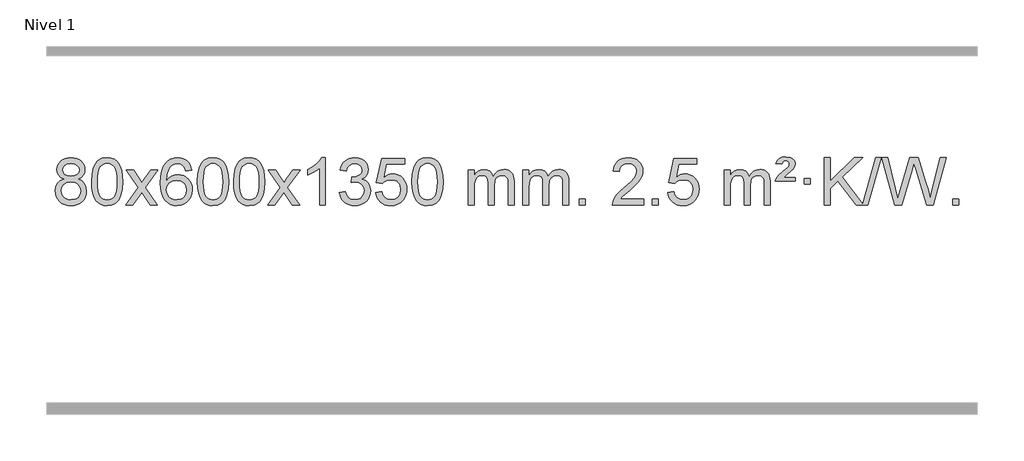
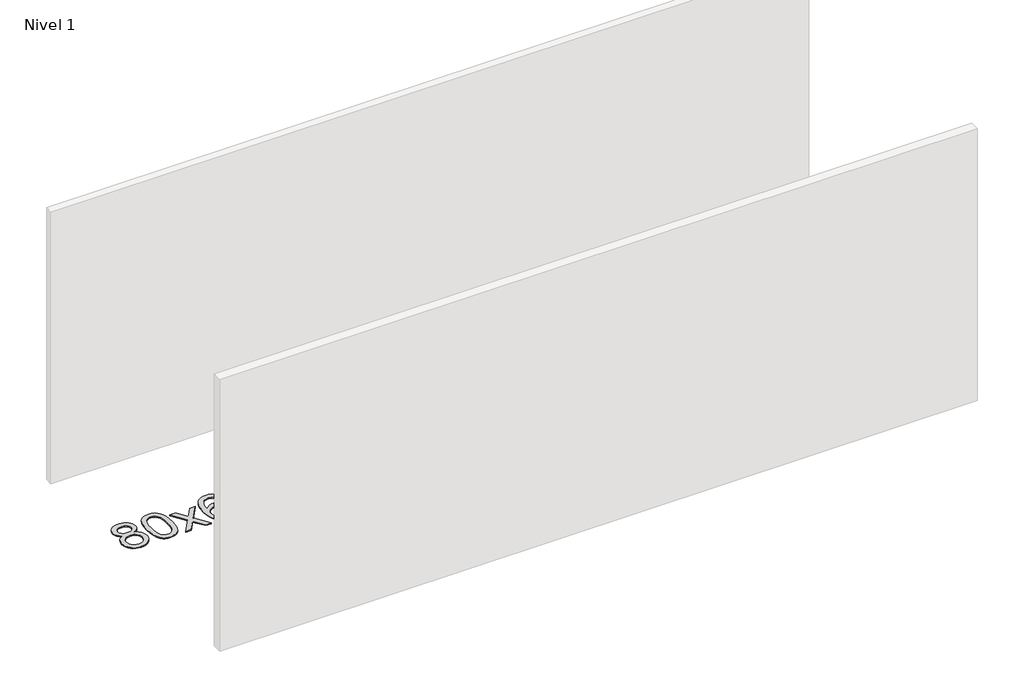
# One storey, part 6 of 10: 1 proxy.
"""IFC4 building model written with IfcOpenShell, lengths in millimetres."""

from ifc_helpers import new_model, si_unit, origin, origin_with_axes, place, context, project, spatial, polyline, outline, extrude, element, save

model = new_model("IFC4")

# Units and contexts
model_context = context("Model", 3, world=origin())
ifc_project = project(units=[si_unit("LENGTHUNIT", "METRE", prefix="MILLI")], contexts=[model_context])

# Site, building, storey
site = spatial("IfcSite", under=ifc_project)
building = spatial("IfcBuilding", under=site)
storey = spatial("IfcBuildingStorey", under=building, Name="Nivel 1", Elevation=0.0)

# Proxy
placement = place(None, origin())
element("IfcBuildingElementProxy", 1, Name="Texto de modelo 1", ObjectType="Texto de modelo 1", at=placement, inside=storey, context=model_context, shape_type="SweptSolid", body=[
    extrude(outline(polyline([(-82.9857189, -6174.2616447), (-109.8778927, -6161.0178929), (-128.7502391, -6143.0652515), (-139.8970635, -6120.7716026), (-143.6126717, -6094.5048281), (-141.5893207, -6074.0199324), (-135.5192678, -6055.2395565), (-125.4025129, -6038.1637006), (-111.2390561, -6022.7923645), (-93.709479, -6010.088173), (-73.4943634, -6001.0137504), (-50.5937092, -5995.5690969), (-25.0075164, -5993.7542124), (0.7013036, -5995.6120165), (23.7736361, -6001.1854287), (44.2094809, -6010.4744491), (62.0088381, -6023.4790776), (76.4298124, -6039.1508506), (86.7305082, -6056.4413044), (92.9109257, -6075.3504389), (94.9710649, -6095.8782543), (91.3045077, -6121.2989001), (80.304836, -6143.2124043), (61.8494226, -6161.0546811), (35.8156401, -6174.2616447), (66.7299904, -6190.1909351), (89.2321058, -6213.6495436), (102.9541042, -6243.5092989), (107.5281037, -6278.6420295), (105.259498, -6303.6947933), (98.4536811, -6326.6628926), (87.1106529, -6347.5463272), (71.2304135, -6366.3450971), (51.6468286, -6381.88198), (29.1937642, -6392.9797536), (3.8712202, -6399.6384177), (-24.3208034, -6401.8579724), (-52.512827, -6399.6292206), (-77.835371, -6392.9429654), (-100.2884354, -6381.7992066), (-119.8720203, -6366.1979443), (-135.7522597, -6347.26735), (-147.0952879, -6326.135595), (-153.9011048, -6302.8026795), (-156.1697105, -6277.2686033), (-151.41177, -6240.7747094), (-137.1379486, -6210.7555386), (-114.0840102, -6188.2411605), (-82.9857189, -6174.2616447)]), holes=[polyline([(-93.3845166, -6095.9763561), (-88.9331445, -6117.902123), (-75.5790281, -6135.413306), (-53.7145748, -6146.8912243), (-23.7321922, -6150.717197), (5.5512146, -6146.9157497), (27.0845741, -6135.5114079), (40.3283259, -6118.5888361), (44.7429098, -6098.232699), (40.1811731, -6077.1040098), (26.4959629, -6059.629615), (4.6682978, -6047.8941794), (-24.3208034, -6043.9823675), (-53.4938456, -6047.8083402), (-75.2847225, -6059.2862585), (-88.8595681, -6076.1107284), (-93.3845166, -6095.9763561)]), polyline([(-105.9415554, -6275.5027698), (-103.844628, -6294.7184726), (-97.5538459, -6313.3210389), (-85.9410376, -6329.5446349), (-67.8780316, -6341.623427), (-46.2465703, -6349.1282197), (-23.9283959, -6351.6298173), (10.2601042, -6346.3691048), (24.1537808, -6339.7932141), (35.913742, -6330.5869672), (51.9533969, -6306.6869002), (57.2999486, -6277.0723996), (51.7817187, -6246.9551269), (35.2270289, -6222.5277625), (23.1482367, -6213.0854579), (8.9847799, -6206.3409547), (-25.5961276, -6200.9453521), (-59.3063811, -6206.2673783), (-73.043708, -6212.919911), (-84.7025015, -6222.2334569), (-100.6317919, -6246.1948375), (-105.9415554, -6275.5027698)])]), origin_with_axes(), (0.0, 0.0, 1.0), 10.0),
    extrude(outline(polyline([(151.4777394, -6197.9041943), (155.1688221, -6133.5861588), (166.2420701, -6082.2911459), (184.5871189, -6043.2343407), (196.4451819, -6028.0009605), (210.0936039, -6015.6309284), (225.5783702, -6006.0598651), (242.9454661, -5999.2233914), (283.3266464, -5993.7542124), (314.277785, -5996.991574), (341.9915619, -6006.7036586), (365.1681276, -6022.5103217), (382.5076323, -6044.0314184), (395.6042314, -6071.0830078), (406.05208, -6103.4811488), (412.8946851, -6144.6226186), (415.1755535, -6197.9041943), (411.521259, -6261.8543477), (400.5583756, -6313.0267333), (382.3236913, -6352.1203266), (370.4932195, -6367.3996922), (356.8539945, -6379.8341036), (341.3508341, -6389.4695462), (323.928556, -6396.3520052), (283.3266464, -6401.8579724), (255.6619204, -6399.4667394), (231.1364541, -6392.2930405), (209.7502474, -6380.3368757), (191.5033004, -6363.5982449), (173.9921175, -6333.3399508), (161.4841296, -6295.6381776), (153.9793369, -6250.4929255), (151.4777394, -6197.9041943)]), holes=[polyline([(201.7058944, -6197.8060924), (203.1774224, -6241.4706195), (207.5920064, -6276.8148822), (214.9496463, -6303.8388804), (225.2503421, -6322.5426142), (237.709279, -6335.2682656), (251.5416421, -6344.3580165), (266.7474312, -6349.8118671), (283.3266464, -6351.6298173), (299.9058617, -6349.8057357), (315.1116508, -6344.3334911), (328.9440138, -6335.2130833), (341.4029507, -6322.4445124), (351.7036466, -6303.7101217), (359.0612865, -6276.6922549), (363.4758705, -6241.3909118), (364.9473984, -6197.8060924), (363.5249214, -6155.2973278), (359.2574902, -6120.5753989), (352.145105, -6093.6403055), (342.1877657, -6074.4920476), (329.9372952, -6061.1440625), (315.9455167, -6051.6097875), (300.21243, -6045.8892225), (282.7380352, -6043.9823675), (266.2446591, -6045.6623619), (251.2963874, -6050.7023452), (237.89322, -6059.1023175), (226.0351571, -6070.8622786), (215.3911047, -6091.708925), (207.7882101, -6119.8151094), (203.2264734, -6155.1808319), (201.7058944, -6197.8060924)])]), origin_with_axes(), (0.0, 0.0, 1.0), 10.0),
    extrude(outline(polyline([(440.2896311, -6395.579453), (547.6130718, -6247.2494325), (446.5681504, -6100.4890419), (506.9988995, -6100.4890419), (555.7555266, -6171.122385), (578.5151594, -6204.4770192), (598.2336343, -6177.2047007), (653.7592901, -6100.4890419), (714.1900392, -6100.4890419), (608.0438209, -6247.2494325), (710.2659646, -6395.579453), (649.8352155, -6395.579453), (588.3253459, -6306.4048574), (577.0436314, -6290.1199477), (500.7203801, -6395.579453), (440.2896311, -6395.579453)])), origin_with_axes(), (0.0, 0.0, 1.0), 10.0),
    extrude(outline(polyline([(999.0778563, -6100.4890419), (948.8497012, -6106.7675613), (940.7562973, -6081.874213), (929.8179393, -6064.8780648), (907.0337811, -6049.2062918), (879.4916824, -6043.9823675), (856.1434384, -6047.0235253), (834.1686206, -6056.1469988), (815.2962742, -6075.3627017), (799.8820186, -6101.8134171), (789.4709581, -6139.227016), (785.6081972, -6191.3313693), (805.7558678, -6167.8237098), (829.9011894, -6151.2567573), (856.6952614, -6141.434308), (884.7891831, -6138.1601582), (908.922242, -6140.398107), (931.1913654, -6147.1119534), (951.5965534, -6158.3016975), (970.137806, -6173.9673391), (985.5459302, -6193.1769106), (996.5517332, -6214.9984443), (1003.155215, -6239.4319401), (1005.3563756, -6266.4773982), (1001.2115718, -6302.4439945), (988.7771604, -6335.786366), (969.0832109, -6364.0642287), (943.159793, -6384.8372987), (912.184129, -6397.602804), (877.3334413, -6401.8579724), (847.3909126, -6399.0375437), (820.3485203, -6390.5762579), (796.2062643, -6376.4741147), (774.9641448, -6356.7311143), (757.6460999, -6330.5133908), (745.2760678, -6296.9870783), (737.8540485, -6256.1521768), (735.3800421, -6208.0086864), (738.1268943, -6154.0342663), (746.367451, -6107.9693092), (760.1017122, -6069.8138149), (779.3296778, -6039.5677835), (800.1701928, -6019.5243462), (824.3339085, -6005.2076052), (851.820825, -5996.6175606), (882.6309421, -5993.7542124), (905.7645882, -5995.5261773), (926.7032051, -6000.8420722), (945.4467927, -6009.7018969), (961.9953511, -6022.1056515), (975.9012906, -6037.6364031), (986.7170212, -6055.8772186), (994.4425431, -6076.8280983), (999.0778563, -6100.4890419)]), holes=[polyline([(785.6081972, -6265.6925832), (788.514465, -6287.9494439), (797.2332682, -6309.2007605), (810.7713257, -6327.472233), (828.1353558, -6340.7895612), (849.0923668, -6348.9197533), (873.4093667, -6351.6298173), (906.5555345, -6346.0134855), (920.4706709, -6338.9930708), (932.6138425, -6329.1644901), (942.4638829, -6316.9262824), (949.499626, -6302.6769865), (955.1282206, -6268.1451299), (949.5732024, -6234.9989621), (942.6294298, -6221.3781312), (932.9081481, -6209.725469), (920.7281883, -6200.3904634), (906.4083817, -6193.7226022), (871.3492275, -6188.3883133), (838.2521107, -6193.7226022), (810.5751219, -6209.725469), (799.6520924, -6221.2248471), (791.8499284, -6234.3858254), (787.16863, -6249.2084042), (785.6081972, -6265.6925832)])]), origin_with_axes(), (0.0, 0.0, 1.0), 10.0),
    extrude(outline(polyline([(1049.3060113, -6197.9041943), (1052.997094, -6133.5861588), (1064.0703421, -6082.2911459), (1082.4153909, -6043.2343407), (1094.2734539, -6028.0009605), (1107.9218759, -6015.6309284), (1123.4066422, -6006.0598651), (1140.7737381, -5999.2233914), (1181.1549184, -5993.7542124), (1212.1060569, -5996.991574), (1239.8198339, -6006.7036586), (1262.9963996, -6022.5103217), (1280.3359043, -6044.0314184), (1293.4325033, -6071.0830078), (1303.880352, -6103.4811488), (1310.7229571, -6144.6226186), (1313.0038255, -6197.9041943), (1309.349531, -6261.8543477), (1298.3866475, -6313.0267333), (1280.1519633, -6352.1203266), (1268.3214915, -6367.3996922), (1254.6822665, -6379.8341036), (1239.1791061, -6389.4695462), (1221.7568279, -6396.3520052), (1181.1549184, -6401.8579724), (1153.4901924, -6399.4667394), (1128.964726, -6392.2930405), (1107.5785194, -6380.3368757), (1089.3315724, -6363.5982449), (1071.8203894, -6333.3399508), (1059.3124016, -6295.6381776), (1051.8076089, -6250.4929255), (1049.3060113, -6197.9041943)]), holes=[polyline([(1099.5341664, -6197.8060924), (1101.0056944, -6241.4706195), (1105.4202783, -6276.8148822), (1112.7779182, -6303.8388804), (1123.0786141, -6322.5426142), (1135.537551, -6335.2682656), (1149.369914, -6344.3580165), (1164.5757032, -6349.8118671), (1181.1549184, -6351.6298173), (1197.7341337, -6349.8057357), (1212.9399228, -6344.3334911), (1226.7722858, -6335.2130833), (1239.2312227, -6322.4445124), (1249.5319186, -6303.7101217), (1256.8895585, -6276.6922549), (1261.3041424, -6241.3909118), (1262.7756704, -6197.8060924), (1261.3531934, -6155.2973278), (1257.0857622, -6120.5753989), (1249.973377, -6093.6403055), (1240.0160376, -6074.4920476), (1227.7655672, -6061.1440625), (1213.7737886, -6051.6097875), (1198.040702, -6045.8892225), (1180.5663072, -6043.9823675), (1164.0729311, -6045.6623619), (1149.1246594, -6050.7023452), (1135.721492, -6059.1023175), (1123.863429, -6070.8622786), (1113.2193766, -6091.708925), (1105.6164821, -6119.8151094), (1101.0547453, -6155.1808319), (1099.5341664, -6197.8060924)])]), origin_with_axes(), (0.0, 0.0, 1.0), 10.0),
    extrude(outline(polyline([(1356.9534612, -6197.9041943), (1360.6445439, -6133.5861588), (1371.7177919, -6082.2911459), (1390.0628407, -6043.2343407), (1401.9209037, -6028.0009605), (1415.5693257, -6015.6309284), (1431.054092, -6006.0598651), (1448.4211879, -5999.2233914), (1488.8023682, -5993.7542124), (1519.7535068, -5996.991574), (1547.4672837, -6006.7036586), (1570.6438494, -6022.5103217), (1587.9833541, -6044.0314184), (1601.0799532, -6071.0830078), (1611.5278018, -6103.4811488), (1618.3704069, -6144.6226186), (1620.6512753, -6197.9041943), (1616.9969808, -6261.8543477), (1606.0340974, -6313.0267333), (1587.7994131, -6352.1203266), (1575.9689413, -6367.3996922), (1562.3297163, -6379.8341036), (1546.8265559, -6389.4695462), (1529.4042778, -6396.3520052), (1488.8023682, -6401.8579724), (1461.1376422, -6399.4667394), (1436.6121759, -6392.2930405), (1415.2259692, -6380.3368757), (1396.9790222, -6363.5982449), (1379.4678393, -6333.3399508), (1366.9598514, -6295.6381776), (1359.4550587, -6250.4929255), (1356.9534612, -6197.9041943)]), holes=[polyline([(1407.1816162, -6197.8060924), (1408.6531442, -6241.4706195), (1413.0677282, -6276.8148822), (1420.4253681, -6303.8388804), (1430.7260639, -6322.5426142), (1443.1850008, -6335.2682656), (1457.0173639, -6344.3580165), (1472.223153, -6349.8118671), (1488.8023682, -6351.6298173), (1505.3815835, -6349.8057357), (1520.5873726, -6344.3334911), (1534.4197356, -6335.2130833), (1546.8786725, -6322.4445124), (1557.1793684, -6303.7101217), (1564.5370083, -6276.6922549), (1568.9515923, -6241.3909118), (1570.4231202, -6197.8060924), (1569.0006432, -6155.2973278), (1564.733212, -6120.5753989), (1557.6208268, -6093.6403055), (1547.6634875, -6074.4920476), (1535.413017, -6061.1440625), (1521.4212385, -6051.6097875), (1505.6881518, -6045.8892225), (1488.213757, -6043.9823675), (1471.7203809, -6045.6623619), (1456.7721092, -6050.7023452), (1443.3689418, -6059.1023175), (1431.5108789, -6070.8622786), (1420.8668265, -6091.708925), (1413.2639319, -6119.8151094), (1408.7021952, -6155.1808319), (1407.1816162, -6197.8060924)])]), origin_with_axes(), (0.0, 0.0, 1.0), 10.0),
    extrude(outline(polyline([(1645.7653528, -6395.579453), (1753.0887936, -6247.2494325), (1652.0438722, -6100.4890419), (1712.4746213, -6100.4890419), (1761.2312484, -6171.122385), (1783.9908812, -6204.4770192), (1803.7093561, -6177.2047007), (1859.2350119, -6100.4890419), (1919.665761, -6100.4890419), (1813.5195426, -6247.2494325), (1915.7416864, -6395.579453), (1855.3109373, -6395.579453), (1793.8010677, -6306.4048574), (1782.5193532, -6290.1199477), (1706.1961019, -6395.579453), (1645.7653528, -6395.579453)])), origin_with_axes(), (0.0, 0.0, 1.0), 10.0),
    extrude(outline(polyline([(2135.4898648, -6395.579453), (2085.2617098, -6395.579453), (2085.2617098, -6082.4382987), (2064.292436, -6099.3976587), (2037.682305, -6116.3324932), (1984.8053996, -6141.6918254), (1984.8053996, -6094.2105225), (2024.2546122, -6072.7507395), (2058.4308496, -6047.219729), (2085.3720743, -6020.0700378), (2103.1162492, -5993.7542124), (2135.4898648, -5993.7542124), (2135.4898648, -6395.579453)])), origin_with_axes(), (0.0, 0.0, 1.0), 10.0),
    extrude(outline(polyline([(2254.7817331, -6288.8446235), (2305.0098882, -6282.5661041), (2316.2548145, -6314.1303793), (2332.7236652, -6335.4430095), (2355.2257805, -6347.5831154), (2384.570501, -6351.6298173), (2419.0042558, -6346.0625364), (2433.2780772, -6339.1034354), (2445.5898613, -6329.3606939), (2462.5860095, -6304.4428201), (2468.2513922, -6274.2274455), (2462.6350604, -6245.5449126), (2445.786065, -6222.2825078), (2420.27958, -6206.8682522), (2388.6907794, -6201.730167), (2353.4722097, -6207.2238715), (2359.064016, -6156.9957164), (2367.108369, -6157.5843276), (2397.2011162, -6153.979084), (2424.1055528, -6143.1633534), (2435.1788008, -6134.9841103), (2443.0882637, -6124.8673555), (2447.8339415, -6112.8130888), (2449.415834, -6098.8213102), (2444.8295718, -6077.1285352), (2431.0707852, -6059.5315131), (2410.076986, -6047.8696539), (2383.7856861, -6043.9823675), (2357.4453352, -6047.9064421), (2335.9119758, -6059.6786659), (2320.1911519, -6079.299039), (2311.2884076, -6106.7675613), (2261.0602525, -6100.4890419), (2267.0138095, -6076.5092672), (2275.8491087, -6055.3867093), (2287.5661503, -6037.1213683), (2302.1649341, -6021.713244), (2319.1856078, -6009.4811677), (2338.1683187, -6000.7439703), (2359.113067, -5995.5016519), (2382.0198525, -5993.7542124), (2413.5963904, -5997.2000404), (2442.5977544, -6007.5375245), (2467.0496443, -6023.8469596), (2484.9777602, -6045.2086408), (2495.9774319, -6069.8199463), (2499.6439891, -6095.8782543), (2496.1613729, -6120.1584659), (2485.7135242, -6142.1823347), (2468.4475959, -6160.9443165), (2444.5107408, -6175.4388671), (2475.9523886, -6188.1430586), (2499.2515817, -6209.77452), (2513.6725559, -6239.1560286), (2518.4795473, -6275.1103623), (2516.0760516, -6300.5923218), (2508.8655645, -6324.0631931), (2496.848086, -6345.5229762), (2480.023616, -6364.971671), (2459.5264575, -6381.1094278), (2436.4909133, -6392.636397), (2410.9169832, -6399.5525785), (2382.8046674, -6401.8579724), (2357.3962843, -6399.8898037), (2334.2442441, -6393.9852977), (2313.3485468, -6384.1444543), (2294.7091923, -6370.3672736), (2279.0803389, -6353.4630959), (2267.2161446, -6334.2412617), (2259.1166093, -6312.7017708), (2254.7817331, -6288.8446235)])), origin_with_axes(), (0.0, 0.0, 1.0), 10.0),
    extrude(outline(polyline([(2562.429183, -6288.8446235), (2612.657338, -6282.5661041), (2621.8789134, -6312.7201649), (2637.9676193, -6334.3148381), (2660.8498794, -6347.3010725), (2690.4521173, -6351.6298173), (2709.581981, -6350.1245668), (2726.4555019, -6345.6088153), (2741.0726798, -6338.0825628), (2753.4335149, -6327.5458094), (2763.2620955, -6314.519721), (2770.2825102, -6299.5254641), (2775.898842, -6263.6324441), (2770.6381295, -6229.8363514), (2764.0622388, -6215.9181493), (2754.8559919, -6203.9865099), (2742.9887319, -6194.4154467), (2728.4298019, -6187.5789729), (2691.2369322, -6182.1097939), (2666.8708814, -6184.2925604), (2647.1401437, -6190.8408599), (2631.3825316, -6200.8717757), (2618.9358574, -6213.5023908), (2568.7077023, -6207.2238715), (2612.657338, -6000.0327318), (2807.291439, -6000.0327318), (2807.291439, -6050.2608869), (2653.2715103, -6050.2608869), (2631.7872018, -6160.919791), (2649.5129826, -6148.2155994), (2667.667959, -6139.1411769), (2686.2521312, -6133.6965234), (2705.265499, -6131.8816388), (2729.726586, -6134.1318504), (2752.1949788, -6140.882485), (2772.6706775, -6152.1335427), (2791.1536821, -6167.8850234), (2806.4545074, -6187.1743027), (2817.3836684, -6209.038756), (2823.9411649, -6233.4783832), (2826.1269971, -6260.4931844), (2824.1588284, -6286.5147042), (2818.2543224, -6310.7213394), (2808.413479, -6333.1130902), (2794.6362983, -6353.6899565), (2773.7651265, -6374.7634634), (2749.4113384, -6389.8159684), (2721.5749341, -6398.8474714), (2690.2559136, -6401.8579724), (2664.3355613, -6399.9235262), (2640.922938, -6394.1201877), (2620.0180436, -6384.447957), (2601.6208782, -6370.9068338), (2586.3139215, -6354.1712688), (2574.6796534, -6334.915712), (2566.7180739, -6313.1401636), (2562.429183, -6288.8446235)])), origin_with_axes(), (0.0, 0.0, 1.0), 10.0),
    extrude(outline(polyline([(2870.0766328, -6197.9041943), (2873.7677155, -6133.5861588), (2884.8409635, -6082.2911459), (2903.1860124, -6043.2343407), (2915.0440753, -6028.0009605), (2928.6924974, -6015.6309284), (2944.1772637, -6006.0598651), (2961.5443595, -5999.2233914), (3001.9255399, -5993.7542124), (3032.8766784, -5996.991574), (3060.5904554, -6006.7036586), (3083.7670211, -6022.5103217), (3101.1065258, -6044.0314184), (3114.2031248, -6071.0830078), (3124.6509735, -6103.4811488), (3131.4935786, -6144.6226186), (3133.7744469, -6197.9041943), (3130.1201525, -6261.8543477), (3119.157269, -6313.0267333), (3100.9225848, -6352.1203266), (3089.0921129, -6367.3996922), (3075.452888, -6379.8341036), (3059.9497276, -6389.4695462), (3042.5274494, -6396.3520052), (3001.9255399, -6401.8579724), (2974.2608138, -6399.4667394), (2949.7353475, -6392.2930405), (2928.3491408, -6380.3368757), (2910.1021939, -6363.5982449), (2892.5910109, -6333.3399508), (2880.0830231, -6295.6381776), (2872.5782304, -6250.4929255), (2870.0766328, -6197.9041943)]), holes=[polyline([(2920.3047879, -6197.8060924), (2921.7763158, -6241.4706195), (2926.1908998, -6276.8148822), (2933.5485397, -6303.8388804), (2943.8492356, -6322.5426142), (2956.3081725, -6335.2682656), (2970.1405355, -6344.3580165), (2985.3463246, -6349.8118671), (3001.9255399, -6351.6298173), (3018.5047551, -6349.8057357), (3033.7105442, -6344.3334911), (3047.5429073, -6335.2130833), (3060.0018442, -6322.4445124), (3070.30254, -6303.7101217), (3077.6601799, -6276.6922549), (3082.0747639, -6241.3909118), (3083.5462919, -6197.8060924), (3082.1238148, -6155.2973278), (3077.8563837, -6120.5753989), (3070.7439984, -6093.6403055), (3060.7866591, -6074.4920476), (3048.5361887, -6061.1440625), (3034.5444101, -6051.6097875), (3018.8113234, -6045.8892225), (3001.3369287, -6043.9823675), (2984.8435526, -6045.6623619), (2969.8952808, -6050.7023452), (2956.4921135, -6059.1023175), (2944.6340505, -6070.8622786), (2933.9899981, -6091.708925), (2926.3871035, -6119.8151094), (2921.8253668, -6155.1808319), (2920.3047879, -6197.8060924)])]), origin_with_axes(), (0.0, 0.0, 1.0), 10.0),
    extrude(outline(polyline([(3347.244106, -6395.579453), (3347.244106, -6100.4890419), (3397.4722611, -6100.4890419), (3397.4722611, -6149.0494653), (3412.5799483, -6126.7435537), (3432.0041177, -6109.2691589), (3455.0825815, -6097.9751816), (3481.1531522, -6094.2105225), (3509.0876584, -6098.048758), (3531.4794092, -6109.5634645), (3548.2057772, -6127.9943524), (3559.1441352, -6152.5811324), (3577.4523959, -6127.0439906), (3598.3358304, -6108.803175), (3621.794439, -6097.8586857), (3647.8282215, -6094.2105225), (3667.9360383, -6095.7280358), (3685.585177, -6100.2805755), (3700.7756377, -6107.8681416), (3713.5074204, -6118.4907342), (3723.5720587, -6132.2709806), (3730.761086, -6149.3315082), (3735.0745024, -6169.6723168), (3736.5123078, -6193.2934066), (3736.5123078, -6395.579453), (3686.2841528, -6395.579453), (3686.2841528, -6214.875817), (3685.1191931, -6189.8230531), (3681.6243142, -6172.9372695), (3675.0760146, -6161.3735121), (3664.7507933, -6152.2868268), (3651.4702533, -6146.4007149), (3636.0559977, -6144.4386776), (3608.8449928, -6149.4663982), (3586.6617085, -6164.54956), (3578.0563355, -6176.1194488), (3571.9096405, -6190.7182326), (3566.9922845, -6229.0024856), (3566.9922845, -6395.579453), (3516.7641294, -6395.579453), (3516.7641294, -6209.2840106), (3513.8578616, -6180.8835206), (3505.1390583, -6160.6254854), (3489.7983791, -6148.4853796), (3467.0264836, -6144.4386776), (3447.6758907, -6147.1364789), (3429.8458767, -6155.2298828), (3415.1305968, -6168.5226856), (3405.1242066, -6186.8186835), (3399.3852475, -6212.2025411), (3397.4722611, -6246.7589232), (3397.4722611, -6395.579453), (3347.244106, -6395.579453)])), origin_with_axes(), (0.0, 0.0, 1.0), 10.0),
    extrude(outline(polyline([(3811.8545404, -6395.579453), (3811.8545404, -6100.4890419), (3862.0826955, -6100.4890419), (3862.0826955, -6149.0494653), (3877.1903828, -6126.7435537), (3896.6145521, -6109.2691589), (3919.693016, -6097.9751816), (3945.7635867, -6094.2105225), (3973.6980929, -6098.048758), (3996.0898436, -6109.5634645), (4012.8162117, -6127.9943524), (4023.7545697, -6152.5811324), (4042.0628303, -6127.0439906), (4062.9462649, -6108.803175), (4086.4048734, -6097.8586857), (4112.438656, -6094.2105225), (4132.5464727, -6095.7280358), (4150.1956114, -6100.2805755), (4165.3860721, -6107.8681416), (4178.1178548, -6118.4907342), (4188.1824931, -6132.2709806), (4195.3715204, -6149.3315082), (4199.6849368, -6169.6723168), (4201.1227423, -6193.2934066), (4201.1227423, -6395.579453), (4150.8945872, -6395.579453), (4150.8945872, -6214.875817), (4149.7296276, -6189.8230531), (4146.2347486, -6172.9372695), (4139.6864491, -6161.3735121), (4129.3612278, -6152.2868268), (4116.0806877, -6146.4007149), (4100.6664321, -6144.4386776), (4073.4554272, -6149.4663982), (4051.2721429, -6164.54956), (4042.6667699, -6176.1194488), (4036.5200749, -6190.7182326), (4031.6027189, -6229.0024856), (4031.6027189, -6395.579453), (3981.3745638, -6395.579453), (3981.3745638, -6209.2840106), (3978.4682961, -6180.8835206), (3969.7494928, -6160.6254854), (3954.4088136, -6148.4853796), (3931.6369181, -6144.4386776), (3912.2863251, -6147.1364789), (3894.4563111, -6155.2298828), (3879.7410313, -6168.5226856), (3869.734641, -6186.8186835), (3863.9956819, -6212.2025411), (3862.0826955, -6246.7589232), (3862.0826955, -6395.579453), (3811.8545404, -6395.579453)])), origin_with_axes(), (0.0, 0.0, 1.0), 10.0),
    extrude(outline(polyline([(4289.0220137, -6395.579453), (4289.0220137, -6345.3512979), (4339.2501687, -6345.3512979), (4339.2501687, -6395.579453), (4289.0220137, -6395.579453)])), origin_with_axes(), (0.0, 0.0, 1.0), 10.0),
    extrude(outline(polyline([(4835.2532001, -6345.3512979), (4835.2532001, -6395.579453), (4571.555386, -6395.579453), (4572.6590319, -6377.8965918), (4576.9509885, -6360.9494945), (4589.3363491, -6333.8856424), (4607.4606687, -6307.6311307), (4633.6783922, -6280.1503456), (4670.3439644, -6249.4076736), (4724.545245, -6201.2641831), (4757.0660134, -6165.7267824), (4773.3263976, -6136.884834), (4778.7465256, -6108.8277005), (4773.6329659, -6083.6768347), (4758.2922867, -6062.7688747), (4734.7110508, -6048.6789943), (4704.875821, -6043.9823675), (4673.5445377, -6048.5686297), (4649.2030124, -6062.3274163), (4633.4944512, -6084.1796068), (4628.0620604, -6113.0460807), (4577.8339053, -6106.7675613), (4582.1534531, -6080.838012), (4590.0107994, -6058.1826125), (4601.4059442, -6038.8013627), (4616.3388875, -6022.6942627), (4634.4662728, -6010.0329907), (4655.4447436, -6000.989225), (4679.2742998, -5995.5629655), (4705.9549415, -5993.7542124), (4732.8747065, -5995.7653006), (4756.8330215, -6001.7985654), (4777.8298863, -6011.8540066), (4795.8653011, -6025.9316242), (4810.3506547, -6042.9890861), (4820.6973358, -6061.9840598), (4826.9053445, -6082.9165453), (4828.9746807, -6105.7865427), (4826.7428633, -6129.8092369), (4820.047411, -6153.4149983), (4808.1648225, -6177.4254299), (4790.3715967, -6202.6621347), (4762.0078949, -6232.7916701), (4718.4138784, -6271.4805933), (4660.6318797, -6319.795762), (4637.9703488, -6345.3512979), (4835.2532001, -6345.3512979)])), origin_with_axes(), (0.0, 0.0, 1.0), 10.0),
    extrude(outline(polyline([(4910.5954327, -6395.579453), (4910.5954327, -6345.3512979), (4960.8235878, -6345.3512979), (4960.8235878, -6395.579453), (4910.5954327, -6395.579453)])), origin_with_axes(), (0.0, 0.0, 1.0), 10.0),
    extrude(outline(polyline([(5042.4443398, -6288.8446235), (5092.6724949, -6282.5661041), (5101.8940702, -6312.7201649), (5117.9827761, -6334.3148381), (5140.8650362, -6347.3010725), (5170.4672741, -6351.6298173), (5189.5971379, -6350.1245668), (5206.4706587, -6345.6088153), (5221.0878366, -6338.0825628), (5233.4486717, -6327.5458094), (5243.2772523, -6314.519721), (5250.2976671, -6299.5254641), (5255.9139988, -6263.6324441), (5250.6532863, -6229.8363514), (5244.0773957, -6215.9181493), (5234.8711487, -6203.9865099), (5223.0038887, -6194.4154467), (5208.4449587, -6187.5789729), (5171.252089, -6182.1097939), (5146.8860382, -6184.2925604), (5127.1553005, -6190.8408599), (5111.3976884, -6200.8717757), (5098.9510142, -6213.5023908), (5048.7228592, -6207.2238715), (5092.6724949, -6000.0327318), (5287.3065958, -6000.0327318), (5287.3065958, -6050.2608869), (5133.2866671, -6050.2608869), (5111.8023586, -6160.919791), (5129.5281394, -6148.2155994), (5147.6831159, -6139.1411769), (5166.267288, -6133.6965234), (5185.2806558, -6131.8816388), (5209.7417428, -6134.1318504), (5232.2101356, -6140.882485), (5252.6858343, -6152.1335427), (5271.1688389, -6167.8850234), (5286.4696642, -6187.1743027), (5297.3988252, -6209.038756), (5303.9563217, -6233.4783832), (5306.1421539, -6260.4931844), (5304.1739852, -6286.5147042), (5298.2694792, -6310.7213394), (5288.4286359, -6333.1130902), (5274.6514551, -6353.6899565), (5253.7802833, -6374.7634634), (5229.4264952, -6389.8159684), (5201.5900909, -6398.8474714), (5170.2710704, -6401.8579724), (5144.3507181, -6399.9235262), (5120.9380948, -6394.1201877), (5100.0332004, -6384.447957), (5081.636035, -6370.9068338), (5066.3290783, -6354.1712688), (5054.6948102, -6334.915712), (5046.7332307, -6313.1401636), (5042.4443398, -6288.8446235)])), origin_with_axes(), (0.0, 0.0, 1.0), 10.0),
    extrude(outline(polyline([(5519.611813, -6395.579453), (5519.611813, -6100.4890419), (5569.8399681, -6100.4890419), (5569.8399681, -6149.0494653), (5584.9476553, -6126.7435537), (5604.3718247, -6109.2691589), (5627.4502885, -6097.9751816), (5653.5208592, -6094.2105225), (5681.4553654, -6098.048758), (5703.8471162, -6109.5634645), (5720.5734842, -6127.9943524), (5731.5118422, -6152.5811324), (5749.8201028, -6127.0439906), (5770.7035374, -6108.803175), (5794.162146, -6097.8586857), (5820.1959285, -6094.2105225), (5840.3037452, -6095.7280358), (5857.952884, -6100.2805755), (5873.1433447, -6107.8681416), (5885.8751274, -6118.4907342), (5895.9397656, -6132.2709806), (5903.128793, -6149.3315082), (5907.4422094, -6169.6723168), (5908.8800148, -6193.2934066), (5908.8800148, -6395.579453), (5858.6518597, -6395.579453), (5858.6518597, -6214.875817), (5857.4869001, -6189.8230531), (5853.9920211, -6172.9372695), (5847.4437216, -6161.3735121), (5837.1185003, -6152.2868268), (5823.8379603, -6146.4007149), (5808.4237047, -6144.4386776), (5781.2126998, -6149.4663982), (5759.0294155, -6164.54956), (5750.4240424, -6176.1194488), (5744.2773474, -6190.7182326), (5739.3599914, -6229.0024856), (5739.3599914, -6395.579453), (5689.1318364, -6395.579453), (5689.1318364, -6209.2840106), (5686.2255686, -6180.8835206), (5677.5067653, -6160.6254854), (5662.1660861, -6148.4853796), (5639.3941906, -6144.4386776), (5620.0435977, -6147.1364789), (5602.2135836, -6155.2298828), (5587.4983038, -6168.5226856), (5577.4919136, -6186.8186835), (5571.7529544, -6212.2025411), (5569.8399681, -6246.7589232), (5569.8399681, -6395.579453), (5519.611813, -6395.579453)])), origin_with_axes(), (0.0, 0.0, 1.0), 10.0),
    extrude(outline(polyline([(5952.8296505, -6194.6668327), (5956.6556233, -6178.8479069), (5964.9942818, -6162.9799302), (5986.5031158, -6137.8413272), (6018.4597984, -6110.1030247), (6062.6056379, -6072.726214), (6069.7425486, -6061.1992448), (6072.1215188, -6049.3779701), (6070.2330579, -6037.2869152), (6064.5676752, -6027.5012541), (6055.198947, -6021.026531), (6042.2004499, -6018.8682899), (6029.7660384, -6020.4869707), (6020.9123451, -6025.343013), (6014.4866729, -6034.8098431), (6009.336325, -6050.2608869), (5959.1081699, -6043.9823675), (5969.948426, -6018.7701881), (5986.5766922, -6001.2099542), (6010.3418691, -5990.9092583), (6042.5928573, -5987.475693), (6078.3755127, -5991.6082341), (6103.1217083, -6004.0058573), (6117.5426825, -6022.3386434), (6122.3496739, -6044.2766731), (6118.253921, -6067.1834586), (6105.9666624, -6088.8149199), (6085.438847, -6108.6314968), (6048.9694786, -6136.6886303), (6023.3648917, -6163.2742358), (6122.3496739, -6163.2742358), (6122.3496739, -6194.6668327), (5952.8296505, -6194.6668327)])), origin_with_axes(), (0.0, 0.0, 1.0), 10.0),
    extrude(outline(polyline([(6197.6919065, -6219.7809102), (6197.6919065, -6169.5527552), (6247.9200616, -6169.5527552), (6247.9200616, -6219.7809102), (6197.6919065, -6219.7809102)])), origin_with_axes(), (0.0, 0.0, 1.0), 10.0),
    extrude(outline(polyline([(6638.5616895, -6395.579453), (6485.1303721, -6192.9009991), (6417.440085, -6257.4520265), (6417.440085, -6395.579453), (6367.2119299, -6395.579453), (6367.2119299, -5993.7542124), (6417.440085, -5993.7542124), (6417.440085, -6190.4484525), (6623.4540023, -5993.7542124), (6693.6949379, -5993.7542124), (6520.7413492, -6158.9577537), (6695.3949591, -6389.5349332), (6806.7082868, -5993.7542124), (6852.0313486, -5993.7542124), (6739.0179997, -6395.579453), (6699.9734572, -6395.579453), (6693.6949379, -6395.579453), (6638.5616895, -6395.579453)])), origin_with_axes(), (0.0, 0.0, 1.0), 10.0),
    extrude(outline(polyline([(6966.5162255, -6395.579453), (6856.9364419, -5993.7542124), (6908.7342268, -5993.7542124), (6972.3042355, -6257.844434), (6991.9246086, -6339.3670841), (7012.9184078, -6267.2622131), (7092.5771225, -5993.7542124), (7167.2326421, -5993.7542124), (7225.1127426, -6192.0180823), (7249.9079891, -6265.5944814), (7268.1794615, -6339.3670841), (7287.2112234, -6260.1988788), (7351.3698434, -5993.7542124), (7403.1676283, -5993.7542124), (7293.4897428, -6395.579453), (7239.8280224, -6395.579453), (7143.4919906, -6085.5775584), (7130.0520351, -6042.3146358), (7114.9443478, -6094.4067263), (7027.1431783, -6395.579453), (6966.5162255, -6395.579453)])), origin_with_axes(), (0.0, 0.0, 1.0), 10.0),
    extrude(outline(polyline([(7459.6743028, -6395.579453), (7459.6743028, -6345.3512979), (7509.9024578, -6345.3512979), (7509.9024578, -6395.579453), (7459.6743028, -6395.579453)])), origin_with_axes(), (0.0, 0.0, 1.0), 10.0),
])

save(model, "model.ifc")
